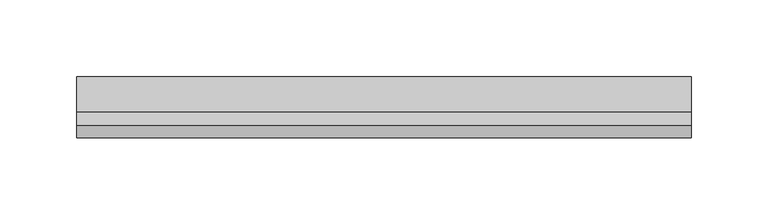
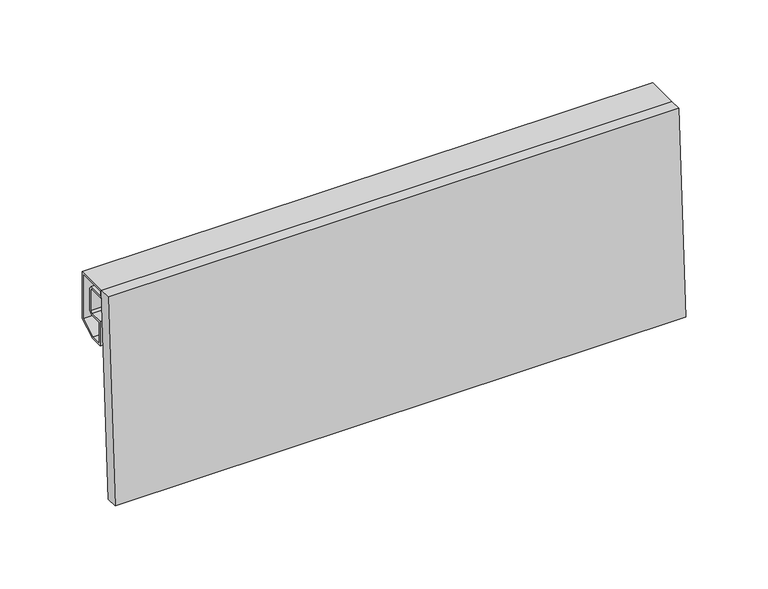
"""IFC4 building model written with IfcOpenShell, lengths in millimetres: plate geometry."""

import ifcopenshell
import ifcopenshell.guid

model = None  # the IFC model being written
_history = None  # IfcOwnerHistory: only IFC2X3 demands one
_inside = {}  # id of a spatial element -> (the spatial element, [elements in it])
_under = {}  # id of a project, library or spatial element -> (it, [spatial elements below it])
_declared = {}  # id of a project -> (the project, [libraries it declares])
_typed = {}  # id of a type object -> (the type object, [elements of that type])
_made_of = {}  # id of a material, layer set ... -> (it, [elements and type objects made of it])


def new_model(schema):
    """Start an empty IFC model of exactly this schema.

    Asked for "IFC4X3", IfcOpenShell would pick the latest addendum, in which some entities
    have other attributes; the version numbers below select the first issue.
    IFC2X3 requires an IfcOwnerHistory on every rooted entity: one is made here for all.
    """
    global model, _history
    if schema == "IFC4X3":
        model = ifcopenshell.file(schema_version=(4, 3, 0, 0))
    else:
        model = ifcopenshell.file(schema=schema)
    _inside.clear()
    _under.clear()
    _declared.clear()
    _typed.clear()
    _made_of.clear()
    _history = None
    if model.schema == "IFC2X3":
        org = make("IfcOrganization", Name="unknown")
        user = make(
            "IfcPersonAndOrganization",
            ThePerson=make("IfcPerson", FamilyName="unknown"),
            TheOrganization=org,
        )
        app = make(
            "IfcApplication",
            ApplicationDeveloper=org,
            Version="unknown",
            ApplicationFullName="unknown",
            ApplicationIdentifier="unknown",
        )
        _history = make(
            "IfcOwnerHistory",
            OwningUser=user,
            OwningApplication=app,
            ChangeAction="ADDED",
            CreationDate=0,
        )
    return model


def make(cls, **values):
    """One entity of the class cls with the attributes given. An attribute that is None is left unset."""
    return model.create_entity(
        cls, **{name: value for name, value in values.items() if value is not None}
    )


def rooted(cls, **values):
    """An entity with a GlobalId (a new one), such as an element, a storey or a relation."""
    return make(cls, GlobalId=ifcopenshell.guid.new(), OwnerHistory=_history, **values)


def si_unit(unit_type, name, prefix=None):
    """IfcSIUnit, for example si_unit("LENGTHUNIT", "METRE", prefix="MILLI")."""
    return make("IfcSIUnit", UnitType=unit_type, Prefix=prefix, Name=name)


def assignment(units):
    """IfcUnitAssignment: the units of a project."""
    return None if units is None else make("IfcUnitAssignment", Units=units)


def point(xyz):
    """IfcCartesianPoint."""
    return None if xyz is None else make("IfcCartesianPoint", Coordinates=xyz)


def direction(xyz):
    """IfcDirection."""
    return None if xyz is None else make("IfcDirection", DirectionRatios=xyz)


def frame(location, z_axis=None, x_axis=None):
    """IfcAxis2Placement3D, a coordinate frame: its origin and axes. An axis left out is left unset."""
    return make(
        "IfcAxis2Placement3D",
        Location=point(location),
        Axis=direction(z_axis),
        RefDirection=direction(x_axis),
    )


def origin():
    """The frame at (0, 0, 0) with its axes left unset."""
    return frame((0.0, 0.0, 0.0))


def place(relative_to, where):
    """IfcLocalPlacement: puts the frame where relative to a parent placement (None: the world)."""
    return make(
        "IfcLocalPlacement", PlacementRelTo=relative_to, RelativePlacement=where
    )


def context(
    kind, dimensions, precision=None, world=None, true_north=None, identifier=None
):
    """IfcGeometricRepresentationContext, for example the 3D "Model" context."""
    return make(
        "IfcGeometricRepresentationContext",
        ContextIdentifier=identifier,
        ContextType=kind,
        CoordinateSpaceDimension=dimensions,
        Precision=precision,
        WorldCoordinateSystem=world,
        TrueNorth=true_north,
    )


def project(units=None, contexts=None):
    """IfcProject with its units and contexts."""
    return rooted(
        "IfcProject",
        Name="project",
        RepresentationContexts=contexts,
        UnitsInContext=assignment(units),
    )


def spatial(cls, under=None, at=None, **own):
    """A site, building, storey or space (cls), placed at a placement, below another one or the project."""
    s = rooted(cls, ObjectPlacement=at, **own)
    if under is not None:
        _under.setdefault(under.id(), (under, []))[1].append(s)
    return s


def polyline(points):
    """IfcPolyline through the points."""
    return make("IfcPolyline", Points=[point(p) for p in points])


def outline(outer, holes=None, kind="AREA"):
    """IfcArbitraryClosedProfileDef: a profile drawn as a closed curve; with holes, ...WithVoids."""
    if holes is None:
        return make("IfcArbitraryClosedProfileDef", ProfileType=kind, OuterCurve=outer)
    return make(
        "IfcArbitraryProfileDefWithVoids",
        ProfileType=kind,
        OuterCurve=outer,
        InnerCurves=holes,
    )


def extrude(swept, where, along, depth):
    """IfcExtrudedAreaSolid: the profile swept, set in the frame where, extruded along a direction by depth."""
    return make(
        "IfcExtrudedAreaSolid",
        SweptArea=swept,
        Position=where,
        ExtrudedDirection=direction(along),
        Depth=depth,
    )


def shape(context_of_items, identifier, shape_type, items):
    """IfcShapeRepresentation: the items that make up one representation, for example the "Body"."""
    return make(
        "IfcShapeRepresentation",
        ContextOfItems=context_of_items,
        RepresentationIdentifier=identifier,
        RepresentationType=shape_type,
        Items=items,
    )


def source(mapping_origin, context_of_items, identifier, shape_type, items):
    """IfcRepresentationMap: a shape defined once, which mapped items show again and again."""
    return make(
        "IfcRepresentationMap",
        MappingOrigin=mapping_origin,
        MappedRepresentation=shape(context_of_items, identifier, shape_type, items),
    )


def transform(
    local_origin,
    x_axis=None,
    y_axis=None,
    z_axis=None,
    scale=None,
    scale2=None,
    scale3=None,
    uniform=True,
):
    """IfcCartesianTransformationOperator3D, or its non-uniform kind. x_axis, y_axis, z_axis: its Axis1, 2, 3."""
    if uniform:
        return make(
            "IfcCartesianTransformationOperator3D",
            Axis1=direction(x_axis),
            Axis2=direction(y_axis),
            LocalOrigin=point(local_origin),
            Scale=scale,
            Axis3=direction(z_axis),
        )
    return make(
        "IfcCartesianTransformationOperator3DnonUniform",
        Axis1=direction(x_axis),
        Axis2=direction(y_axis),
        LocalOrigin=point(local_origin),
        Scale=scale,
        Axis3=direction(z_axis),
        Scale2=scale2,
        Scale3=scale3,
    )


def mapped(mapping_source, mapping_target):
    """IfcMappedItem: shows the shape of a source again, moved by a transform."""
    return make(
        "IfcMappedItem", MappingSource=mapping_source, MappingTarget=mapping_target
    )


def made_of(thing, what):
    """Note that an element or type object is made of a material, layer set ...; save() writes the relation."""
    if what is not None:
        _made_of.setdefault(what.id(), (what, []))[1].append(thing)
    return thing


def element(
    cls,
    number,
    at=None,
    inside=None,
    cuts=None,
    type_object=None,
    material=None,
    context=None,
    identifier="Body",
    shape_type=None,
    held_by="IfcProductDefinitionShape",
    body=None,
    shapes=None,
    **own,
):
    """One element of the class cls, such as IfcWall. Its Tag is "e" and its number.

    at: its placement. inside: the storey or other place that contains it. cuts: it is an
    opening in that element (IfcRelVoidsElement). A single representation is given by context,
    identifier, shape_type and body (its items); several are given by shapes. held_by: the class
    of the entity that holds the representations. save() writes the other relations.
    """
    e = rooted(cls, Tag="e%d" % number, ObjectPlacement=at, **own)
    if body is not None:
        shapes = [shape(context, identifier, shape_type, body)]
    if shapes is not None:
        e.Representation = make(held_by, Representations=shapes)
    if inside is not None:
        _inside.setdefault(inside.id(), (inside, []))[1].append(e)
    if cuts is not None:
        rooted(
            "IfcRelVoidsElement", RelatingBuildingElement=cuts, RelatedOpeningElement=e
        )
    if type_object is not None:
        _typed.setdefault(type_object.id(), (type_object, []))[1].append(e)
    return made_of(e, material)


def aggregate(whole, parts):
    """IfcRelAggregates: a whole, such as a stair, and the parts it consists of."""
    return rooted("IfcRelAggregates", RelatingObject=whole, RelatedObjects=parts)


def save(model, path):
    """Write the relations noted so far, then the file.

    IfcRelAggregates (storeys below a building ...), IfcRelContainedInSpatialStructure (elements
    in a storey), IfcRelDefinesByType, IfcRelAssociatesMaterial and IfcRelDeclares: one each for
    every whole, place, type object, material and project.
    """
    for whole, parts in _under.values():
        aggregate(whole, parts)
    for where, things in _inside.values():
        rooted(
            "IfcRelContainedInSpatialStructure",
            RelatedElements=things,
            RelatingStructure=where,
        )
    for kind, things in _typed.values():
        rooted("IfcRelDefinesByType", RelatedObjects=things, RelatingType=kind)
    for what, things in _made_of.values():
        rooted("IfcRelAssociatesMaterial", RelatedObjects=things, RelatingMaterial=what)
    for by, libraries in _declared.values():
        rooted("IfcRelDeclares", RelatingContext=by, RelatedDefinitions=libraries)
    model.write(path)


def plate_c50f82fb(model_context):
    return source(origin(), model_context, "Body", "SweptSolid", [
        extrude(outline(polyline([(0.0, 8.5), (400.0, 8.5), (400.0, 0.0), (0.0, 0.0), (0.0, 8.5)])), frame((200.0, -8.3197186, 0.0), z_axis=(0.0, 0.05537967254200356, 0.9984653683874772), x_axis=(-1.0, 0.0, 0.0)), (0.0, 0.0, 1.0), 150.2305485),
        extrude(outline(polyline([(23.0, 115.1685791), (10.3922729, 108.0), (1.5, 108.0), (1.5, 126.0), (11.5857849, 126.0), (13.0, 127.4142151), (13.0, 142.5857849), (11.5857849, 144.0), (0.0, 144.0), (0.0, 150.0), (23.0, 150.0), (23.0, 115.1685791)]), holes=[polyline([(1.5, 148.5), (1.5, 145.5), (12.2071053, 145.5), (14.5, 143.2071053), (14.5, 126.7928947), (12.2071053, 124.5), (3.0, 124.5), (3.0, 109.5), (9.9956483, 109.5), (21.5, 116.0412151), (21.5, 148.5), (1.5, 148.5)])]), frame((-200.0, 0.0, 0.0), z_axis=(1.0, 0.0, 0.0), x_axis=(0.0, 1.0, 0.0)), (0.0, 0.0, 1.0), 400.0),
    ])


if __name__ == "__main__":
    model = new_model("IFC4")
    model_context = context("Model", 3, world=origin())
    ifc_project = project(units=[si_unit("LENGTHUNIT", "METRE", prefix="MILLI")], contexts=[model_context])
    site = spatial("IfcSite", under=ifc_project)
    building = spatial("IfcBuilding", under=site)
    placement = place(None, origin())
    plate_shape = plate_c50f82fb(model_context)
    element("IfcPlate", 1, at=placement, inside=building, context=model_context, shape_type="MappedRepresentation", body=[
        mapped(plate_shape, transform((0.0, 0.0, 0.0), x_axis=(1.0, 0.0, 0.0), y_axis=(0.0, 1.0, 0.0), z_axis=(0.0, 0.0, 1.0))),
    ])
    save(model, "model.ifc")
